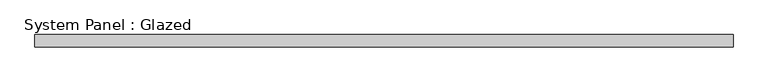
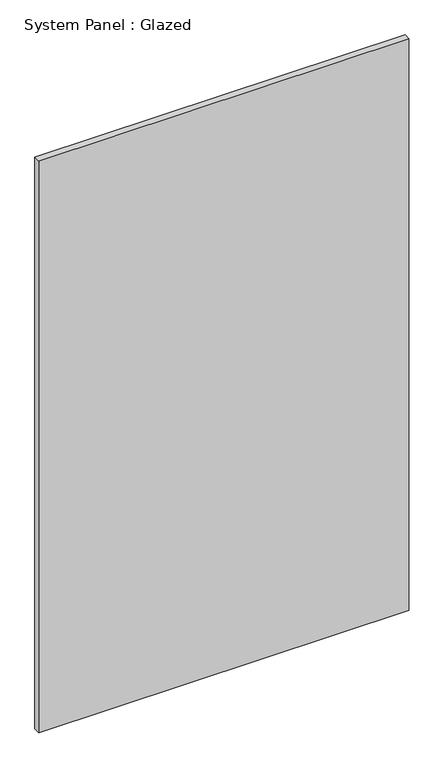
"""IFC4 building model written with IfcOpenShell, lengths in millimetres: plate geometry, System Panel : Glazed."""

import ifcopenshell
import ifcopenshell.guid

model = None  # the IFC model being written
_history = None  # IfcOwnerHistory: only IFC2X3 demands one
_inside = {}  # id of a spatial element -> (the spatial element, [elements in it])
_under = {}  # id of a project, library or spatial element -> (it, [spatial elements below it])
_declared = {}  # id of a project -> (the project, [libraries it declares])
_typed = {}  # id of a type object -> (the type object, [elements of that type])
_made_of = {}  # id of a material, layer set ... -> (it, [elements and type objects made of it])


def new_model(schema):
    """Start an empty IFC model of exactly this schema.

    Asked for "IFC4X3", IfcOpenShell would pick the latest addendum, in which some entities
    have other attributes; the version numbers below select the first issue.
    IFC2X3 requires an IfcOwnerHistory on every rooted entity: one is made here for all.
    """
    global model, _history
    if schema == "IFC4X3":
        model = ifcopenshell.file(schema_version=(4, 3, 0, 0))
    else:
        model = ifcopenshell.file(schema=schema)
    _inside.clear()
    _under.clear()
    _declared.clear()
    _typed.clear()
    _made_of.clear()
    _history = None
    if model.schema == "IFC2X3":
        org = make("IfcOrganization", Name="unknown")
        user = make(
            "IfcPersonAndOrganization",
            ThePerson=make("IfcPerson", FamilyName="unknown"),
            TheOrganization=org,
        )
        app = make(
            "IfcApplication",
            ApplicationDeveloper=org,
            Version="unknown",
            ApplicationFullName="unknown",
            ApplicationIdentifier="unknown",
        )
        _history = make(
            "IfcOwnerHistory",
            OwningUser=user,
            OwningApplication=app,
            ChangeAction="ADDED",
            CreationDate=0,
        )
    return model


def make(cls, **values):
    """One entity of the class cls with the attributes given. An attribute that is None is left unset."""
    return model.create_entity(
        cls, **{name: value for name, value in values.items() if value is not None}
    )


def rooted(cls, **values):
    """An entity with a GlobalId (a new one), such as an element, a storey or a relation."""
    return make(cls, GlobalId=ifcopenshell.guid.new(), OwnerHistory=_history, **values)


def si_unit(unit_type, name, prefix=None):
    """IfcSIUnit, for example si_unit("LENGTHUNIT", "METRE", prefix="MILLI")."""
    return make("IfcSIUnit", UnitType=unit_type, Prefix=prefix, Name=name)


def assignment(units):
    """IfcUnitAssignment: the units of a project."""
    return None if units is None else make("IfcUnitAssignment", Units=units)


def point(xyz):
    """IfcCartesianPoint."""
    return None if xyz is None else make("IfcCartesianPoint", Coordinates=xyz)


def direction(xyz):
    """IfcDirection."""
    return None if xyz is None else make("IfcDirection", DirectionRatios=xyz)


def frame(location, z_axis=None, x_axis=None):
    """IfcAxis2Placement3D, a coordinate frame: its origin and axes. An axis left out is left unset."""
    return make(
        "IfcAxis2Placement3D",
        Location=point(location),
        Axis=direction(z_axis),
        RefDirection=direction(x_axis),
    )


def origin():
    """The frame at (0, 0, 0) with its axes left unset."""
    return frame((0.0, 0.0, 0.0))


def origin_with_axes():
    """The frame at (0, 0, 0) with the z axis (0, 0, 1) and the x axis (1, 0, 0) written out."""
    return frame((0.0, 0.0, 0.0), z_axis=(0.0, 0.0, 1.0), x_axis=(1.0, 0.0, 0.0))


def place(relative_to, where):
    """IfcLocalPlacement: puts the frame where relative to a parent placement (None: the world)."""
    return make(
        "IfcLocalPlacement", PlacementRelTo=relative_to, RelativePlacement=where
    )


def context(
    kind, dimensions, precision=None, world=None, true_north=None, identifier=None
):
    """IfcGeometricRepresentationContext, for example the 3D "Model" context."""
    return make(
        "IfcGeometricRepresentationContext",
        ContextIdentifier=identifier,
        ContextType=kind,
        CoordinateSpaceDimension=dimensions,
        Precision=precision,
        WorldCoordinateSystem=world,
        TrueNorth=true_north,
    )


def project(units=None, contexts=None):
    """IfcProject with its units and contexts."""
    return rooted(
        "IfcProject",
        Name="project",
        RepresentationContexts=contexts,
        UnitsInContext=assignment(units),
    )


def spatial(cls, under=None, at=None, **own):
    """A site, building, storey or space (cls), placed at a placement, below another one or the project."""
    s = rooted(cls, ObjectPlacement=at, **own)
    if under is not None:
        _under.setdefault(under.id(), (under, []))[1].append(s)
    return s


def polyline(points):
    """IfcPolyline through the points."""
    return make("IfcPolyline", Points=[point(p) for p in points])


def outline(outer, holes=None, kind="AREA"):
    """IfcArbitraryClosedProfileDef: a profile drawn as a closed curve; with holes, ...WithVoids."""
    if holes is None:
        return make("IfcArbitraryClosedProfileDef", ProfileType=kind, OuterCurve=outer)
    return make(
        "IfcArbitraryProfileDefWithVoids",
        ProfileType=kind,
        OuterCurve=outer,
        InnerCurves=holes,
    )


def extrude(swept, where, along, depth):
    """IfcExtrudedAreaSolid: the profile swept, set in the frame where, extruded along a direction by depth."""
    return make(
        "IfcExtrudedAreaSolid",
        SweptArea=swept,
        Position=where,
        ExtrudedDirection=direction(along),
        Depth=depth,
    )


def shape(context_of_items, identifier, shape_type, items):
    """IfcShapeRepresentation: the items that make up one representation, for example the "Body"."""
    return make(
        "IfcShapeRepresentation",
        ContextOfItems=context_of_items,
        RepresentationIdentifier=identifier,
        RepresentationType=shape_type,
        Items=items,
    )


def source(mapping_origin, context_of_items, identifier, shape_type, items):
    """IfcRepresentationMap: a shape defined once, which mapped items show again and again."""
    return make(
        "IfcRepresentationMap",
        MappingOrigin=mapping_origin,
        MappedRepresentation=shape(context_of_items, identifier, shape_type, items),
    )


def transform(
    local_origin,
    x_axis=None,
    y_axis=None,
    z_axis=None,
    scale=None,
    scale2=None,
    scale3=None,
    uniform=True,
):
    """IfcCartesianTransformationOperator3D, or its non-uniform kind. x_axis, y_axis, z_axis: its Axis1, 2, 3."""
    if uniform:
        return make(
            "IfcCartesianTransformationOperator3D",
            Axis1=direction(x_axis),
            Axis2=direction(y_axis),
            LocalOrigin=point(local_origin),
            Scale=scale,
            Axis3=direction(z_axis),
        )
    return make(
        "IfcCartesianTransformationOperator3DnonUniform",
        Axis1=direction(x_axis),
        Axis2=direction(y_axis),
        LocalOrigin=point(local_origin),
        Scale=scale,
        Axis3=direction(z_axis),
        Scale2=scale2,
        Scale3=scale3,
    )


def mapped(mapping_source, mapping_target):
    """IfcMappedItem: shows the shape of a source again, moved by a transform."""
    return make(
        "IfcMappedItem", MappingSource=mapping_source, MappingTarget=mapping_target
    )


def made_of(thing, what):
    """Note that an element or type object is made of a material, layer set ...; save() writes the relation."""
    if what is not None:
        _made_of.setdefault(what.id(), (what, []))[1].append(thing)
    return thing


def element(
    cls,
    number,
    at=None,
    inside=None,
    cuts=None,
    type_object=None,
    material=None,
    context=None,
    identifier="Body",
    shape_type=None,
    held_by="IfcProductDefinitionShape",
    body=None,
    shapes=None,
    **own,
):
    """One element of the class cls, such as IfcWall. Its Tag is "e" and its number.

    at: its placement. inside: the storey or other place that contains it. cuts: it is an
    opening in that element (IfcRelVoidsElement). A single representation is given by context,
    identifier, shape_type and body (its items); several are given by shapes. held_by: the class
    of the entity that holds the representations. save() writes the other relations.
    """
    e = rooted(cls, Tag="e%d" % number, ObjectPlacement=at, **own)
    if body is not None:
        shapes = [shape(context, identifier, shape_type, body)]
    if shapes is not None:
        e.Representation = make(held_by, Representations=shapes)
    if inside is not None:
        _inside.setdefault(inside.id(), (inside, []))[1].append(e)
    if cuts is not None:
        rooted(
            "IfcRelVoidsElement", RelatingBuildingElement=cuts, RelatedOpeningElement=e
        )
    if type_object is not None:
        _typed.setdefault(type_object.id(), (type_object, []))[1].append(e)
    return made_of(e, material)


def aggregate(whole, parts):
    """IfcRelAggregates: a whole, such as a stair, and the parts it consists of."""
    return rooted("IfcRelAggregates", RelatingObject=whole, RelatedObjects=parts)


def save(model, path):
    """Write the relations noted so far, then the file.

    IfcRelAggregates (storeys below a building ...), IfcRelContainedInSpatialStructure (elements
    in a storey), IfcRelDefinesByType, IfcRelAssociatesMaterial and IfcRelDeclares: one each for
    every whole, place, type object, material and project.
    """
    for whole, parts in _under.values():
        aggregate(whole, parts)
    for where, things in _inside.values():
        rooted(
            "IfcRelContainedInSpatialStructure",
            RelatedElements=things,
            RelatingStructure=where,
        )
    for kind, things in _typed.values():
        rooted("IfcRelDefinesByType", RelatedObjects=things, RelatingType=kind)
    for what, things in _made_of.values():
        rooted("IfcRelAssociatesMaterial", RelatedObjects=things, RelatingMaterial=what)
    for by, libraries in _declared.values():
        rooted("IfcRelDeclares", RelatingContext=by, RelatedDefinitions=libraries)
    model.write(path)


def system_panel_glazed_32103b74(model_context):
    return source(origin(), model_context, "Body", "SweptSolid", [
        extrude(outline(polyline([(711.6690596, 24.5), (-711.6690596, 24.5), (-711.6690596, 49.5), (711.6690596, 49.5), (711.6690596, 24.5)])), origin_with_axes(), (0.0, 0.0, 1.0), 2325.0),
    ])


if __name__ == "__main__":
    model = new_model("IFC4")
    model_context = context("Model", 3, world=origin())
    ifc_project = project(units=[si_unit("LENGTHUNIT", "METRE", prefix="MILLI")], contexts=[model_context])
    site = spatial("IfcSite", under=ifc_project)
    building = spatial("IfcBuilding", under=site)
    placement = place(None, origin())
    system_panel_glazed_shape = system_panel_glazed_32103b74(model_context)
    element("IfcPlate", 1, ObjectType="System Panel : Glazed", at=placement, inside=building, context=model_context, shape_type="MappedRepresentation", body=[
        mapped(system_panel_glazed_shape, transform((0.0, 0.0, 0.0), x_axis=(1.0, 0.0, 0.0), y_axis=(0.0, 1.0, 0.0), z_axis=(0.0, 0.0, 1.0))),
    ])
    save(model, "model.ifc")
